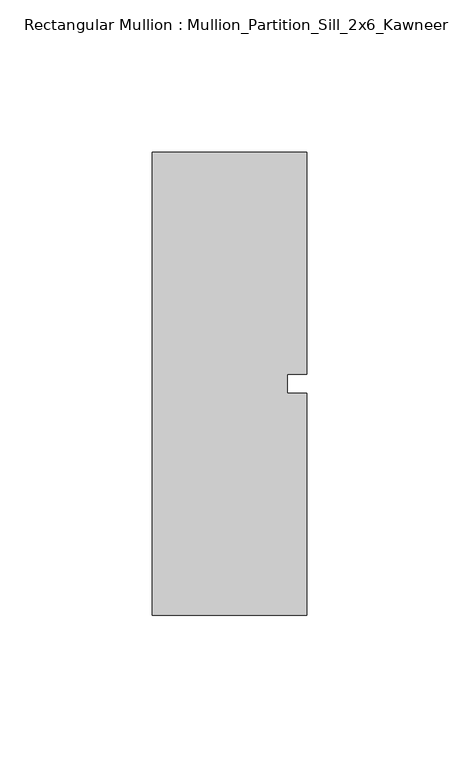
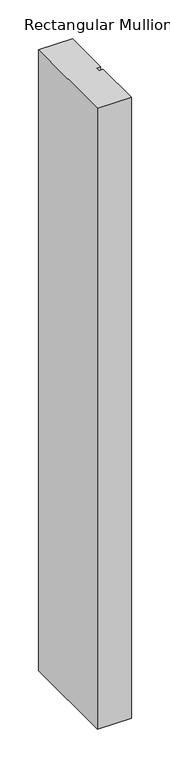
"""IFC4 building model written with IfcOpenShell, lengths in millimetres: member geometry, Rectangular Mullion : Mullion_Partition_Sill_2x6_Kawneer."""

from ifc_helpers import new_model, si_unit, frame, origin, place, context, project, spatial, polyline, outline, extrude, source, transform, mapped, element, save


def rectangular_mullion_mullion_partition_sill_2x6_kawneer_d4696fe2(model_context):
    return source(origin(), model_context, "Body", "SweptSolid", [
        extrude(outline(polyline([(25.4, -76.2), (-25.4, -76.2), (-25.4, 76.2), (25.4, 76.2), (25.4, 3.175), (19.05, 3.175), (19.05, -3.175), (25.4, -3.175), (25.4, -76.2)])), frame((0.0, 0.0, -980.44), z_axis=(0.0, 0.0, 1.0), x_axis=(1.0, 0.0, 0.0)), (0.0, 0.0, 1.0), 980.44),
    ])


if __name__ == "__main__":
    model = new_model("IFC4")
    model_context = context("Model", 3, world=origin())
    ifc_project = project(units=[si_unit("LENGTHUNIT", "METRE", prefix="MILLI")], contexts=[model_context])
    site = spatial("IfcSite", under=ifc_project)
    building = spatial("IfcBuilding", under=site)
    placement = place(None, origin())
    rectangular_mullion_mullion_partition_sill_2x6_kawneer_shape = rectangular_mullion_mullion_partition_sill_2x6_kawneer_d4696fe2(model_context)
    element("IfcMember", 1, ObjectType="Rectangular Mullion : Mullion_Partition_Sill_2x6_Kawneer", at=placement, inside=building, context=model_context, shape_type="MappedRepresentation", body=[
        mapped(rectangular_mullion_mullion_partition_sill_2x6_kawneer_shape, transform((0.0, 0.0, 0.0), x_axis=(1.0, 0.0, 0.0), y_axis=(0.0, 1.0, 0.0), z_axis=(0.0, 0.0, 1.0))),
    ])
    save(model, "model.ifc")
